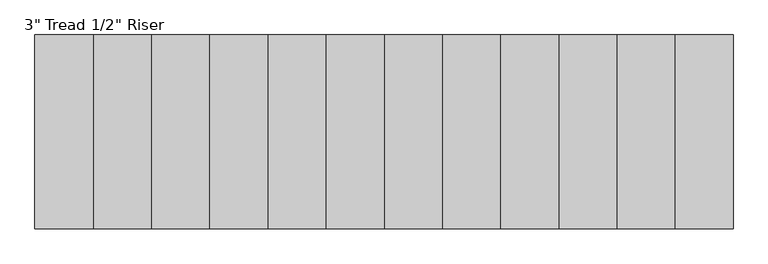
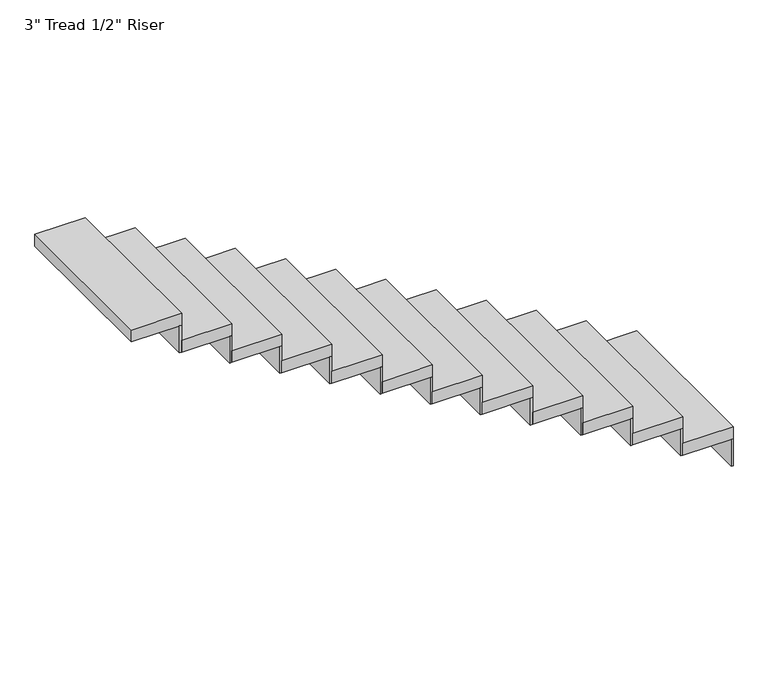
"""IFC4 building model written with IfcOpenShell, lengths in millimetres: stair flight geometry."""

import ifcopenshell
import ifcopenshell.guid

model = None  # the IFC model being written
_history = None  # IfcOwnerHistory: only IFC2X3 demands one
_inside = {}  # id of a spatial element -> (the spatial element, [elements in it])
_under = {}  # id of a project, library or spatial element -> (it, [spatial elements below it])
_declared = {}  # id of a project -> (the project, [libraries it declares])
_typed = {}  # id of a type object -> (the type object, [elements of that type])
_made_of = {}  # id of a material, layer set ... -> (it, [elements and type objects made of it])


def new_model(schema):
    """Start an empty IFC model of exactly this schema.

    Asked for "IFC4X3", IfcOpenShell would pick the latest addendum, in which some entities
    have other attributes; the version numbers below select the first issue.
    IFC2X3 requires an IfcOwnerHistory on every rooted entity: one is made here for all.
    """
    global model, _history
    if schema == "IFC4X3":
        model = ifcopenshell.file(schema_version=(4, 3, 0, 0))
    else:
        model = ifcopenshell.file(schema=schema)
    _inside.clear()
    _under.clear()
    _declared.clear()
    _typed.clear()
    _made_of.clear()
    _history = None
    if model.schema == "IFC2X3":
        org = make("IfcOrganization", Name="unknown")
        user = make(
            "IfcPersonAndOrganization",
            ThePerson=make("IfcPerson", FamilyName="unknown"),
            TheOrganization=org,
        )
        app = make(
            "IfcApplication",
            ApplicationDeveloper=org,
            Version="unknown",
            ApplicationFullName="unknown",
            ApplicationIdentifier="unknown",
        )
        _history = make(
            "IfcOwnerHistory",
            OwningUser=user,
            OwningApplication=app,
            ChangeAction="ADDED",
            CreationDate=0,
        )
    return model


def make(cls, **values):
    """One entity of the class cls with the attributes given. An attribute that is None is left unset."""
    return model.create_entity(
        cls, **{name: value for name, value in values.items() if value is not None}
    )


def rooted(cls, **values):
    """An entity with a GlobalId (a new one), such as an element, a storey or a relation."""
    return make(cls, GlobalId=ifcopenshell.guid.new(), OwnerHistory=_history, **values)


def si_unit(unit_type, name, prefix=None):
    """IfcSIUnit, for example si_unit("LENGTHUNIT", "METRE", prefix="MILLI")."""
    return make("IfcSIUnit", UnitType=unit_type, Prefix=prefix, Name=name)


def assignment(units):
    """IfcUnitAssignment: the units of a project."""
    return None if units is None else make("IfcUnitAssignment", Units=units)


def point(xyz):
    """IfcCartesianPoint."""
    return None if xyz is None else make("IfcCartesianPoint", Coordinates=xyz)


def direction(xyz):
    """IfcDirection."""
    return None if xyz is None else make("IfcDirection", DirectionRatios=xyz)


def frame(location, z_axis=None, x_axis=None):
    """IfcAxis2Placement3D, a coordinate frame: its origin and axes. An axis left out is left unset."""
    return make(
        "IfcAxis2Placement3D",
        Location=point(location),
        Axis=direction(z_axis),
        RefDirection=direction(x_axis),
    )


def origin():
    """The frame at (0, 0, 0) with its axes left unset."""
    return frame((0.0, 0.0, 0.0))


def place(relative_to, where):
    """IfcLocalPlacement: puts the frame where relative to a parent placement (None: the world)."""
    return make(
        "IfcLocalPlacement", PlacementRelTo=relative_to, RelativePlacement=where
    )


def context(
    kind, dimensions, precision=None, world=None, true_north=None, identifier=None
):
    """IfcGeometricRepresentationContext, for example the 3D "Model" context."""
    return make(
        "IfcGeometricRepresentationContext",
        ContextIdentifier=identifier,
        ContextType=kind,
        CoordinateSpaceDimension=dimensions,
        Precision=precision,
        WorldCoordinateSystem=world,
        TrueNorth=true_north,
    )


def project(units=None, contexts=None):
    """IfcProject with its units and contexts."""
    return rooted(
        "IfcProject",
        Name="project",
        RepresentationContexts=contexts,
        UnitsInContext=assignment(units),
    )


def spatial(cls, under=None, at=None, **own):
    """A site, building, storey or space (cls), placed at a placement, below another one or the project."""
    s = rooted(cls, ObjectPlacement=at, **own)
    if under is not None:
        _under.setdefault(under.id(), (under, []))[1].append(s)
    return s


def polyline(points):
    """IfcPolyline through the points."""
    return make("IfcPolyline", Points=[point(p) for p in points])


def outline(outer, holes=None, kind="AREA"):
    """IfcArbitraryClosedProfileDef: a profile drawn as a closed curve; with holes, ...WithVoids."""
    if holes is None:
        return make("IfcArbitraryClosedProfileDef", ProfileType=kind, OuterCurve=outer)
    return make(
        "IfcArbitraryProfileDefWithVoids",
        ProfileType=kind,
        OuterCurve=outer,
        InnerCurves=holes,
    )


def extrude(swept, where, along, depth):
    """IfcExtrudedAreaSolid: the profile swept, set in the frame where, extruded along a direction by depth."""
    return make(
        "IfcExtrudedAreaSolid",
        SweptArea=swept,
        Position=where,
        ExtrudedDirection=direction(along),
        Depth=depth,
    )


def shape(context_of_items, identifier, shape_type, items):
    """IfcShapeRepresentation: the items that make up one representation, for example the "Body"."""
    return make(
        "IfcShapeRepresentation",
        ContextOfItems=context_of_items,
        RepresentationIdentifier=identifier,
        RepresentationType=shape_type,
        Items=items,
    )


def source(mapping_origin, context_of_items, identifier, shape_type, items):
    """IfcRepresentationMap: a shape defined once, which mapped items show again and again."""
    return make(
        "IfcRepresentationMap",
        MappingOrigin=mapping_origin,
        MappedRepresentation=shape(context_of_items, identifier, shape_type, items),
    )


def transform(
    local_origin,
    x_axis=None,
    y_axis=None,
    z_axis=None,
    scale=None,
    scale2=None,
    scale3=None,
    uniform=True,
):
    """IfcCartesianTransformationOperator3D, or its non-uniform kind. x_axis, y_axis, z_axis: its Axis1, 2, 3."""
    if uniform:
        return make(
            "IfcCartesianTransformationOperator3D",
            Axis1=direction(x_axis),
            Axis2=direction(y_axis),
            LocalOrigin=point(local_origin),
            Scale=scale,
            Axis3=direction(z_axis),
        )
    return make(
        "IfcCartesianTransformationOperator3DnonUniform",
        Axis1=direction(x_axis),
        Axis2=direction(y_axis),
        LocalOrigin=point(local_origin),
        Scale=scale,
        Axis3=direction(z_axis),
        Scale2=scale2,
        Scale3=scale3,
    )


def mapped(mapping_source, mapping_target):
    """IfcMappedItem: shows the shape of a source again, moved by a transform."""
    return make(
        "IfcMappedItem", MappingSource=mapping_source, MappingTarget=mapping_target
    )


def made_of(thing, what):
    """Note that an element or type object is made of a material, layer set ...; save() writes the relation."""
    if what is not None:
        _made_of.setdefault(what.id(), (what, []))[1].append(thing)
    return thing


def element(
    cls,
    number,
    at=None,
    inside=None,
    cuts=None,
    type_object=None,
    material=None,
    context=None,
    identifier="Body",
    shape_type=None,
    held_by="IfcProductDefinitionShape",
    body=None,
    shapes=None,
    **own,
):
    """One element of the class cls, such as IfcWall. Its Tag is "e" and its number.

    at: its placement. inside: the storey or other place that contains it. cuts: it is an
    opening in that element (IfcRelVoidsElement). A single representation is given by context,
    identifier, shape_type and body (its items); several are given by shapes. held_by: the class
    of the entity that holds the representations. save() writes the other relations.
    """
    e = rooted(cls, Tag="e%d" % number, ObjectPlacement=at, **own)
    if body is not None:
        shapes = [shape(context, identifier, shape_type, body)]
    if shapes is not None:
        e.Representation = make(held_by, Representations=shapes)
    if inside is not None:
        _inside.setdefault(inside.id(), (inside, []))[1].append(e)
    if cuts is not None:
        rooted(
            "IfcRelVoidsElement", RelatingBuildingElement=cuts, RelatedOpeningElement=e
        )
    if type_object is not None:
        _typed.setdefault(type_object.id(), (type_object, []))[1].append(e)
    return made_of(e, material)


def aggregate(whole, parts):
    """IfcRelAggregates: a whole, such as a stair, and the parts it consists of."""
    return rooted("IfcRelAggregates", RelatingObject=whole, RelatedObjects=parts)


def save(model, path):
    """Write the relations noted so far, then the file.

    IfcRelAggregates (storeys below a building ...), IfcRelContainedInSpatialStructure (elements
    in a storey), IfcRelDefinesByType, IfcRelAssociatesMaterial and IfcRelDeclares: one each for
    every whole, place, type object, material and project.
    """
    for whole, parts in _under.values():
        aggregate(whole, parts)
    for where, things in _inside.values():
        rooted(
            "IfcRelContainedInSpatialStructure",
            RelatedElements=things,
            RelatingStructure=where,
        )
    for kind, things in _typed.values():
        rooted("IfcRelDefinesByType", RelatedObjects=things, RelatingType=kind)
    for what, things in _made_of.values():
        rooted("IfcRelAssociatesMaterial", RelatedObjects=things, RelatingMaterial=what)
    for by, libraries in _declared.values():
        rooted("IfcRelDeclares", RelatingContext=by, RelatedDefinitions=libraries)
    model.write(path)


def stair_flight_9d8ef1b0(model_context):
    return source(origin(), model_context, "Body", "SweptSolid", [
        extrude(outline(polyline([(-259692.4567903, 172173.0920048), (-259692.4567903, 173189.0920048), (-259387.6567903, 173189.0920048), (-259387.6567903, 172173.0920048), (-259692.4567903, 172173.0920048)])), frame((0.0, 0.0, -2843.5904762), z_axis=(0.0, 0.0, 1.0), x_axis=(1.0, 0.0, 0.0)), (0.0, 0.0, 1.0), 76.2),
        extrude(outline(polyline([(-259400.3567903, 173189.0920048), (-259387.6567903, 173189.0920048), (-259387.6567903, 172173.0920048), (-259400.3567903, 172173.0920048), (-259400.3567903, 173189.0920048)])), frame((0.0, 0.0, -3016.552381), z_axis=(0.0, 0.0, 1.0), x_axis=(1.0, 0.0, 0.0)), (0.0, 0.0, 1.0), 172.9619048),
        extrude(outline(polyline([(-259705.1567903, 173189.0920048), (-259692.4567903, 173189.0920048), (-259692.4567903, 172173.0920048), (-259705.1567903, 172173.0920048), (-259705.1567903, 173189.0920048)])), frame((0.0, 0.0, -2843.5904762), z_axis=(0.0, 0.0, 1.0), x_axis=(1.0, 0.0, 0.0)), (0.0, 0.0, 1.0), 172.9619048),
        extrude(outline(polyline([(-259997.2567903, 172173.0920048), (-259997.2567903, 173189.0920048), (-259692.4567903, 173189.0920048), (-259692.4567903, 172173.0920048), (-259997.2567903, 172173.0920048)])), frame((0.0, 0.0, -2670.6285714), z_axis=(0.0, 0.0, 1.0), x_axis=(1.0, 0.0, 0.0)), (0.0, 0.0, 1.0), 76.2),
        extrude(outline(polyline([(-260009.9567903, 173189.0920048), (-259997.2567903, 173189.0920048), (-259997.2567903, 172173.0920048), (-260009.9567903, 172173.0920048), (-260009.9567903, 173189.0920048)])), frame((0.0, 0.0, -2670.6285714), z_axis=(0.0, 0.0, 1.0), x_axis=(1.0, 0.0, 0.0)), (0.0, 0.0, 1.0), 172.9619048),
        extrude(outline(polyline([(-260302.0567903, 172173.0920048), (-260302.0567903, 173189.0920048), (-259997.2567903, 173189.0920048), (-259997.2567903, 172173.0920048), (-260302.0567903, 172173.0920048)])), frame((0.0, 0.0, -2497.6666667), z_axis=(0.0, 0.0, 1.0), x_axis=(1.0, 0.0, 0.0)), (0.0, 0.0, 1.0), 76.2),
        extrude(outline(polyline([(-260314.7567903, 173189.0920048), (-260302.0567903, 173189.0920048), (-260302.0567903, 172173.0920048), (-260314.7567903, 172173.0920048), (-260314.7567903, 173189.0920048)])), frame((0.0, 0.0, -2497.6666667), z_axis=(0.0, 0.0, 1.0), x_axis=(1.0, 0.0, 0.0)), (0.0, 0.0, 1.0), 172.9619048),
        extrude(outline(polyline([(-260606.8567903, 172173.0920048), (-260606.8567903, 173189.0920048), (-260302.0567903, 173189.0920048), (-260302.0567903, 172173.0920048), (-260606.8567903, 172173.0920048)])), frame((0.0, 0.0, -2324.7047619), z_axis=(0.0, 0.0, 1.0), x_axis=(1.0, 0.0, 0.0)), (0.0, 0.0, 1.0), 76.2),
        extrude(outline(polyline([(-260619.5567903, 173189.0920048), (-260606.8567903, 173189.0920048), (-260606.8567903, 172173.0920048), (-260619.5567903, 172173.0920048), (-260619.5567903, 173189.0920048)])), frame((0.0, 0.0, -2324.7047619), z_axis=(0.0, 0.0, 1.0), x_axis=(1.0, 0.0, 0.0)), (0.0, 0.0, 1.0), 172.9619048),
        extrude(outline(polyline([(-260911.6567903, 172173.0920048), (-260911.6567903, 173189.0920048), (-260606.8567903, 173189.0920048), (-260606.8567903, 172173.0920048), (-260911.6567903, 172173.0920048)])), frame((0.0, 0.0, -2151.7428571), z_axis=(0.0, 0.0, 1.0), x_axis=(1.0, 0.0, 0.0)), (0.0, 0.0, 1.0), 76.2),
        extrude(outline(polyline([(-260924.3567903, 173189.0920048), (-260911.6567903, 173189.0920048), (-260911.6567903, 172173.0920048), (-260924.3567903, 172173.0920048), (-260924.3567903, 173189.0920048)])), frame((0.0, 0.0, -2151.7428571), z_axis=(0.0, 0.0, 1.0), x_axis=(1.0, 0.0, 0.0)), (0.0, 0.0, 1.0), 172.9619048),
        extrude(outline(polyline([(-261216.4567903, 172173.0920048), (-261216.4567903, 173189.0920048), (-260911.6567903, 173189.0920048), (-260911.6567903, 172173.0920048), (-261216.4567903, 172173.0920048)])), frame((0.0, 0.0, -1978.7809524), z_axis=(0.0, 0.0, 1.0), x_axis=(1.0, 0.0, 0.0)), (0.0, 0.0, 1.0), 76.2),
        extrude(outline(polyline([(-261229.1567903, 173189.0920048), (-261216.4567903, 173189.0920048), (-261216.4567903, 172173.0920048), (-261229.1567903, 172173.0920048), (-261229.1567903, 173189.0920048)])), frame((0.0, 0.0, -1978.7809524), z_axis=(0.0, 0.0, 1.0), x_axis=(1.0, 0.0, 0.0)), (0.0, 0.0, 1.0), 172.9619048),
        extrude(outline(polyline([(-261521.2567903, 172173.0920048), (-261521.2567903, 173189.0920048), (-261216.4567903, 173189.0920048), (-261216.4567903, 172173.0920048), (-261521.2567903, 172173.0920048)])), frame((0.0, 0.0, -1805.8190476), z_axis=(0.0, 0.0, 1.0), x_axis=(1.0, 0.0, 0.0)), (0.0, 0.0, 1.0), 76.2),
        extrude(outline(polyline([(-261533.9567903, 173189.0920048), (-261521.2567903, 173189.0920048), (-261521.2567903, 172173.0920048), (-261533.9567903, 172173.0920048), (-261533.9567903, 173189.0920048)])), frame((0.0, 0.0, -1805.8190476), z_axis=(0.0, 0.0, 1.0), x_axis=(1.0, 0.0, 0.0)), (0.0, 0.0, 1.0), 172.9619048),
        extrude(outline(polyline([(-261826.0567903, 172173.0920048), (-261826.0567903, 173189.0920048), (-261521.2567903, 173189.0920048), (-261521.2567903, 172173.0920048), (-261826.0567903, 172173.0920048)])), frame((0.0, 0.0, -1632.8571429), z_axis=(0.0, 0.0, 1.0), x_axis=(1.0, 0.0, 0.0)), (0.0, 0.0, 1.0), 76.2),
        extrude(outline(polyline([(-261838.7567903, 173189.0920048), (-261826.0567903, 173189.0920048), (-261826.0567903, 172173.0920048), (-261838.7567903, 172173.0920048), (-261838.7567903, 173189.0920048)])), frame((0.0, 0.0, -1632.8571429), z_axis=(0.0, 0.0, 1.0), x_axis=(1.0, 0.0, 0.0)), (0.0, 0.0, 1.0), 172.9619048),
        extrude(outline(polyline([(-262130.8567903, 172173.0920048), (-262130.8567903, 173189.0920048), (-261826.0567903, 173189.0920048), (-261826.0567903, 172173.0920048), (-262130.8567903, 172173.0920048)])), frame((0.0, 0.0, -1459.8952381), z_axis=(0.0, 0.0, 1.0), x_axis=(1.0, 0.0, 0.0)), (0.0, 0.0, 1.0), 76.2),
        extrude(outline(polyline([(-262143.5567903, 173189.0920048), (-262130.8567903, 173189.0920048), (-262130.8567903, 172173.0920048), (-262143.5567903, 172173.0920048), (-262143.5567903, 173189.0920048)])), frame((0.0, 0.0, -1459.8952381), z_axis=(0.0, 0.0, 1.0), x_axis=(1.0, 0.0, 0.0)), (0.0, 0.0, 1.0), 172.9619048),
        extrude(outline(polyline([(-262435.6567903, 172173.0920048), (-262435.6567903, 173189.0920048), (-262130.8567903, 173189.0920048), (-262130.8567903, 172173.0920048), (-262435.6567903, 172173.0920048)])), frame((0.0, 0.0, -1286.9333333), z_axis=(0.0, 0.0, 1.0), x_axis=(1.0, 0.0, 0.0)), (0.0, 0.0, 1.0), 76.2),
        extrude(outline(polyline([(-262448.3567903, 173189.0920048), (-262435.6567903, 173189.0920048), (-262435.6567903, 172173.0920048), (-262448.3567903, 172173.0920048), (-262448.3567903, 173189.0920048)])), frame((0.0, 0.0, -1286.9333333), z_axis=(0.0, 0.0, 1.0), x_axis=(1.0, 0.0, 0.0)), (0.0, 0.0, 1.0), 172.9619048),
        extrude(outline(polyline([(-262740.4567903, 172173.0920048), (-262740.4567903, 173189.0920048), (-262435.6567903, 173189.0920048), (-262435.6567903, 172173.0920048), (-262740.4567903, 172173.0920048)])), frame((0.0, 0.0, -1113.9714286), z_axis=(0.0, 0.0, 1.0), x_axis=(1.0, 0.0, 0.0)), (0.0, 0.0, 1.0), 76.2),
        extrude(outline(polyline([(-262753.1567903, 173189.0920048), (-262740.4567903, 173189.0920048), (-262740.4567903, 172173.0920048), (-262753.1567903, 172173.0920048), (-262753.1567903, 173189.0920048)])), frame((0.0, 0.0, -1113.9714286), z_axis=(0.0, 0.0, 1.0), x_axis=(1.0, 0.0, 0.0)), (0.0, 0.0, 1.0), 172.9619048),
        extrude(outline(polyline([(-263045.2567903, 172173.0920048), (-263045.2567903, 173189.0920048), (-262740.4567903, 173189.0920048), (-262740.4567903, 172173.0920048), (-263045.2567903, 172173.0920048)])), frame((0.0, 0.0, -941.0095238), z_axis=(0.0, 0.0, 1.0), x_axis=(1.0, 0.0, 0.0)), (0.0, 0.0, 1.0), 76.2),
    ])


if __name__ == "__main__":
    model = new_model("IFC4")
    model_context = context("Model", 3, world=origin())
    ifc_project = project(units=[si_unit("LENGTHUNIT", "METRE", prefix="MILLI")], contexts=[model_context])
    site = spatial("IfcSite", under=ifc_project)
    building = spatial("IfcBuilding", under=site)
    placement = place(None, origin())
    stair_flight_shape = stair_flight_9d8ef1b0(model_context)
    element("IfcStairFlight", 1, ObjectType="3\" Tread 1/2\" Riser", at=placement, inside=building, context=model_context, shape_type="MappedRepresentation", body=[
        mapped(stair_flight_shape, transform((0.0, 0.0, 0.0), x_axis=(1.0, 0.0, 0.0), y_axis=(0.0, 1.0, 0.0), z_axis=(0.0, 0.0, 1.0))),
    ])
    save(model, "model.ifc")
